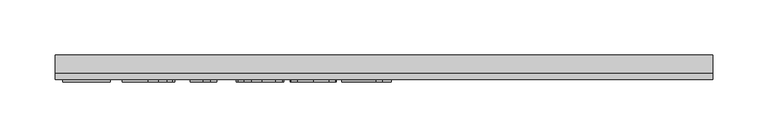
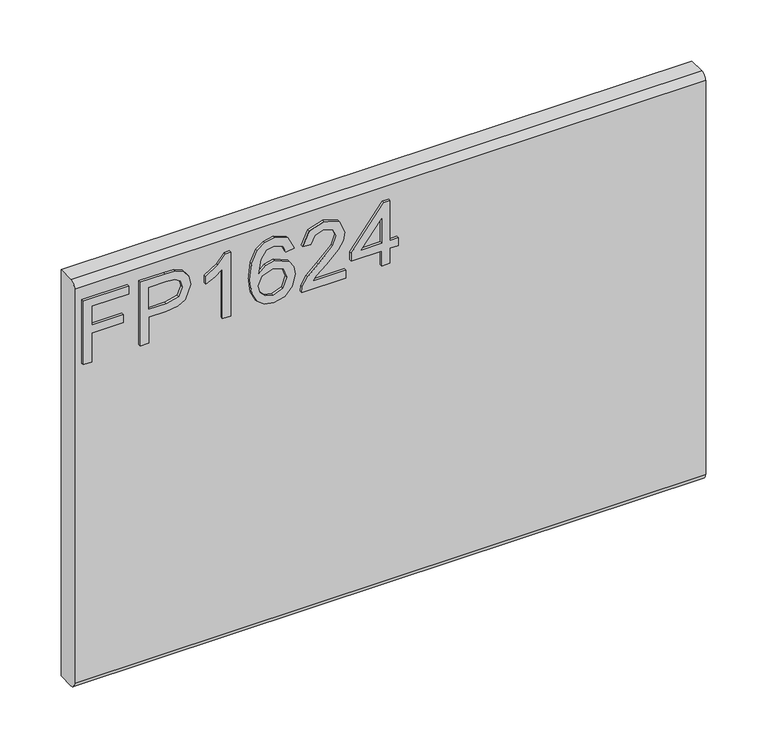
"""IFC4 building model written with IfcOpenShell, lengths in millimetres: furniture geometry."""

from ifc_helpers import new_model, si_unit, frame, origin, place, context, project, spatial, polyline, circle_curve, outline, extrude, source, transform, mapped, element, save
from ifc_brep_helpers import plane_surface, cylinder_surface, advanced_brep


def furniture_f0ce3fb3(model_context):
    return source(origin(), model_context, "Body", "SolidModel", [
        extrude(outline(polyline([(476.25, -291.4729953), (476.25, -283.4992757), (505.1547336, -283.4992757), (505.1547336, -253.5978271), (513.1284532, -253.5978271), (513.1284532, -283.4992757), (532.0660373, -283.4992757), (532.0660373, -248.6142524), (540.0397569, -248.6142524), (540.0397569, -291.4729953), (476.25, -291.4729953)])), frame((0.0, -15.0812439, 0.0), z_axis=(0.0, 1.0, 0.0), x_axis=(0.0, 0.0, 1.0)), (0.0, 0.0, 1.0), 2.38125),
        extrude(outline(polyline([(476.25, -237.6503879), (476.25, -229.6766683), (502.1645888, -229.6766683), (502.1645888, -213.4644766), (503.574006, -202.1365776), (507.8022577, -194.9395948), (521.5849567, -189.8080702), (530.282852, -191.7080581), (536.4500257, -196.730567), (539.4323838, -204.4784684), (540.0397569, -214.0095551), (540.0397569, -237.6503879), (476.25, -237.6503879)]), holes=[polyline([(510.1383084, -229.6766683), (532.0660373, -229.6766683), (532.0660373, -213.1841506), (531.5209588, -205.2104309), (527.9078671, -199.8297276), (521.3046306, -197.7817898), (513.0661585, -201.2547185), (510.1383084, -212.9972665), (510.1383084, -229.6766683)])]), frame((0.0, -15.0812439, 0.0), z_axis=(0.0, 1.0, 0.0), x_axis=(0.0, 0.0, 1.0)), (0.0, 0.0, 1.0), 2.38125),
        extrude(outline(polyline([(476.25, -151.932902), (540.0397569, -151.932902), (540.0397569, -157.0722135), (531.5521062, -164.1660207), (524.0923177, -175.8540609), (516.5546609, -175.8540609), (520.5804549, -167.4598521), (525.9611582, -159.9066216), (476.25, -159.9066216), (476.25, -151.932902)])), frame((0.0, -15.0812439, 0.0), z_axis=(0.0, 1.0, 0.0), x_axis=(0.0, 0.0, 1.0)), (0.0, 0.0, 1.0), 2.38125),
        extrude(outline(polyline([(523.0956028, -92.1300049), (535.538966, -98.0168526), (540.0397569, -110.6159525), (538.2215308, -119.8706066), (532.7668525, -127.0150282), (521.9081103, -132.2477817), (506.0268592, -133.9920329), (491.9015395, -132.4210388), (482.4171738, -127.7080566), (477.0442572, -120.503287), (475.253285, -111.4569308), (477.955317, -101.0069974), (485.7421526, -93.7652403), (496.7449512, -91.1332899), (504.9172351, -92.5310269), (511.4309231, -96.7242379), (517.115313, -110.2733317), (515.0362279, -118.9868007), (508.6743833, -126.0183133), (522.8853582, -123.7523441), (530.1349021, -118.309346), (532.0660373, -111.11431), (528.7488454, -103.1250167), (522.0988878, -100.1037245), (523.0956028, -92.1300049)]), holes=[polyline([(496.8695406, -126.0183133), (505.75432, -122.054814), (509.1415934, -112.4069247), (505.75432, -102.6344461), (496.4801988, -99.1070095), (486.7933754, -102.6811671), (483.2270047, -112.0798776), (484.9478953, -119.2671268), (489.9626174, -124.1728332), (496.8695406, -126.0183133)])]), frame((0.0, -15.0812439, 0.0), z_axis=(0.0, 1.0, 0.0), x_axis=(0.0, 0.0, 1.0)), (0.0, 0.0, 1.0), 2.38125),
        extrude(outline(polyline([(484.2237196, -43.2909722), (484.2237196, -74.6096249), (488.2806609, -71.0121068), (495.950694, -61.8392145), (506.8756243, -50.4159268), (514.6936072, -45.7048912), (522.2546245, -44.2876872), (534.9315928, -49.5438012), (540.0397569, -63.8170708), (535.445524, -78.0436193), (522.0988878, -84.1562853), (521.1021729, -76.1825656), (529.1537608, -72.8264395), (532.0660373, -63.9883812), (529.0836793, -55.5085172), (521.7718407, -52.2614068), (512.7391115, -55.7031881), (499.45477, -69.4703134), (490.2117962, -79.4530366), (481.7475059, -84.2964483), (476.25, -85.1530002), (476.25, -43.2909722), (484.2237196, -43.2909722)])), frame((0.0, -15.0812439, 0.0), z_axis=(0.0, 1.0, 0.0), x_axis=(0.0, 0.0, 1.0)), (0.0, 0.0, 1.0), 2.38125),
        extrude(outline(polyline([(476.25, -9.4026638), (476.25, -1.4289442), (491.2007243, -1.4289442), (491.2007243, 6.5447754), (499.1744439, 6.5447754), (499.1744439, -1.4289442), (539.043042, -1.4289442), (539.043042, -7.4092339), (499.1744439, -38.3073975), (491.2007243, -38.3073975), (491.2007243, -9.4026638), (476.25, -9.4026638)]), holes=[polyline([(499.1744439, -9.4026638), (499.1744439, -28.4959846), (523.8119916, -9.4026638), (499.1744439, -9.4026638)])]), frame((0.0, -15.0812439, 0.0), z_axis=(0.0, 1.0, 0.0), x_axis=(0.0, 0.0, 1.0)), (0.0, 0.0, 1.0), 2.38125),
        advanced_brep(
        [(298.45, 9.5250061, 558.8), (298.45, -6.7309939, 558.8), (298.45, -12.6999939, 552.831), (298.45, -12.6999939, 158.369), (298.45, -6.7309939, 152.4), (298.45, 9.5250061, 152.4), (-298.45, 9.5250061, 558.8), (-298.45, 9.5250061, 152.4), (-298.45, -6.7309939, 152.4), (-298.45, -12.6999939, 158.369), (-298.45, -12.6999939, 552.8310121), (-298.45, -6.7309939, 558.8)],
        [
            (0, 1),
            (1, 2, circle_curve(frame((298.45, -6.7309939, 552.831), z_axis=(1.0, 0.0, 0.0), x_axis=(0.0, 1.0, 0.0)), 5.969)),
            (2, 3),
            (3, 4, circle_curve(frame((298.45, -6.7309939, 158.369), z_axis=(1.0, 0.0, 0.0), x_axis=(0.0, 1.0, 0.0)), 5.969)),
            (4, 5),
            (5, 0),
            (6, 7),
            (7, 8),
            (8, 9, circle_curve(frame((-298.45, -6.7309939, 158.369), z_axis=(-1.0, 0.0, 0.0), x_axis=(0.0, 1.0, 0.0)), 5.969)),
            (9, 10),
            (10, 11, circle_curve(frame((-298.45, -6.7309939, 552.831), z_axis=(-1.0, 0.0, 0.0), x_axis=(0.0, 1.0, 0.0)), 5.969)),
            (11, 6),
            (0, 6),
            (11, 1),
            (10, 2),
            (9, 3),
            (8, 4),
            (7, 5),
        ],
        [
            plane_surface(frame((298.45, -6.7309939, 558.8), z_axis=(1.0, 0.0, 0.0), x_axis=(0.0, -1.0, 0.0))),
            plane_surface(frame((-298.45, -6.7309939, 558.8), z_axis=(-1.0, 0.0, 0.0), x_axis=(0.0, 1.0, 0.0))),
            plane_surface(frame((298.45, 9.5250061, 558.8), z_axis=(0.0, 0.0, 1.0), x_axis=(-1.0, 0.0, 0.0))),
            cylinder_surface(frame((-298.45, -6.7309939, 552.831), z_axis=(1.0, 0.0, 0.0), x_axis=(0.0, 1.0, 0.0)), 5.969),
            plane_surface(frame((298.45, -12.6999939, 552.8310121), z_axis=(0.0, -1.0, 0.0), x_axis=(-1.0, 0.0, 0.0))),
            cylinder_surface(frame((-298.45, -6.7309939, 158.369), z_axis=(1.0, 0.0, 0.0), x_axis=(0.0, 1.0, 0.0)), 5.969),
            plane_surface(frame((298.45, -6.7309939, 152.4), z_axis=(0.0, 0.0, -1.0), x_axis=(-1.0, 0.0, 0.0))),
            plane_surface(frame((298.45, 9.5250061, 152.4), z_axis=(0.0, 1.0, 0.0), x_axis=(-1.0, 0.0, 0.0))),
        ],
        [
            (0, [[1, 2, 3, 4, 5, 6]]),
            (1, [[7, 8, 9, 10, 11, 12]]),
            (2, [[-1, 13, -12, 14]]),
            (3, [[-2, -14, -11, 15]]),
            (4, [[-3, -15, -10, 16]]),
            (5, [[-4, -16, -9, 17]]),
            (6, [[-5, -17, -8, 18]]),
            (7, [[-6, -18, -7, -13]]),
        ],
    ),
    ])


if __name__ == "__main__":
    model = new_model("IFC4")
    model_context = context("Model", 3, world=origin())
    ifc_project = project(units=[si_unit("LENGTHUNIT", "METRE", prefix="MILLI")], contexts=[model_context])
    site = spatial("IfcSite", under=ifc_project)
    building = spatial("IfcBuilding", under=site)
    placement = place(None, origin())
    furniture_shape = furniture_f0ce3fb3(model_context)
    element("IfcFurniture", 1, at=placement, inside=building, context=model_context, shape_type="MappedRepresentation", body=[
        mapped(furniture_shape, transform((0.0, 0.0, 0.0), x_axis=(1.0, 0.0, 0.0), y_axis=(0.0, 1.0, 0.0), z_axis=(0.0, 0.0, 1.0))),
    ])
    save(model, "model.ifc")
